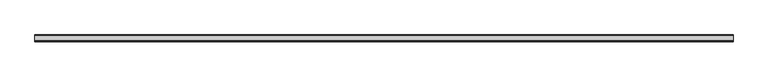
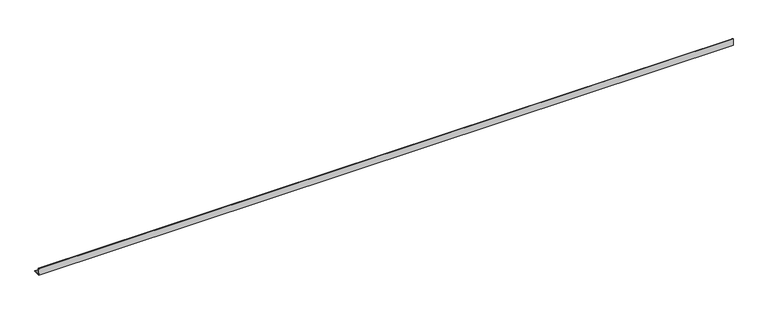
"""IFC4 building model written with IfcOpenShell, lengths in millimetres: beam geometry."""

from ifc_helpers import new_model, si_unit, point, frame, frame_2d, origin, place, context, project, spatial, polyline, circle_curve, trimmed, segment, composite_curve, outline, extrude, source, transform, mapped, element, save


def beam_010e175b(model_context):
    return source(origin(), model_context, "Body", "SweptSolid", [
        extrude(outline(composite_curve([segment(polyline([(-21.3, -21.3), (-21.3, 53.7), (-18.3, 53.7)]), True, "CONTINUOUS"), segment(trimmed(circle_curve(frame_2d((-18.3, 48.7)), 5.0), [point((-18.3, 53.7))], [point((-13.3, 48.7))], False, "CARTESIAN"), True, "CONTINUOUS"), segment(polyline([(-13.3, 48.7), (-13.3, -5.3)]), True, "CONTINUOUS"), segment(trimmed(circle_curve(frame_2d((-5.3, -5.3)), 8.0), [point((-13.3, -5.3))], [point((-5.3, -13.3))], True, "CARTESIAN"), True, "CONTINUOUS"), segment(polyline([(-5.3, -13.3), (48.7, -13.3)]), True, "CONTINUOUS"), segment(trimmed(circle_curve(frame_2d((48.7, -18.3)), 5.0), [point((48.7, -13.3))], [point((53.7, -18.3))], False, "CARTESIAN"), True, "CONTINUOUS"), segment(polyline([(53.7, -18.3), (53.7, -21.3), (-21.3, -21.3)]), True, "CONTINUOUS")], self_intersect=False)), frame((-3867.5, 0.0, 0.0), z_axis=(1.0, 0.0, 0.0), x_axis=(0.0, 1.0, 0.0)), (0.0, 0.0, 1.0), 7772.0),
    ])


if __name__ == "__main__":
    model = new_model("IFC4")
    model_context = context("Model", 3, world=origin())
    ifc_project = project(units=[si_unit("LENGTHUNIT", "METRE", prefix="MILLI")], contexts=[model_context])
    site = spatial("IfcSite", under=ifc_project)
    building = spatial("IfcBuilding", under=site)
    placement = place(None, origin())
    beam_shape = beam_010e175b(model_context)
    element("IfcBeam", 1, at=placement, inside=building, context=model_context, shape_type="MappedRepresentation", body=[
        mapped(beam_shape, transform((0.0, 0.0, 0.0), x_axis=(1.0, 0.0, 0.0), y_axis=(0.0, 1.0, 0.0), z_axis=(0.0, 0.0, 1.0))),
    ])
    save(model, "model.ifc")
